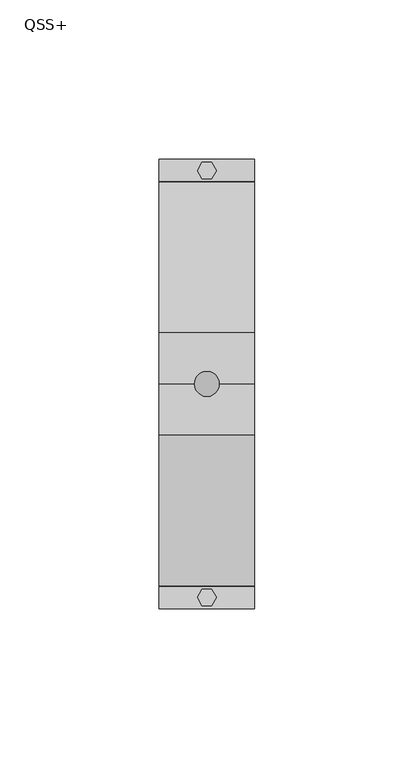
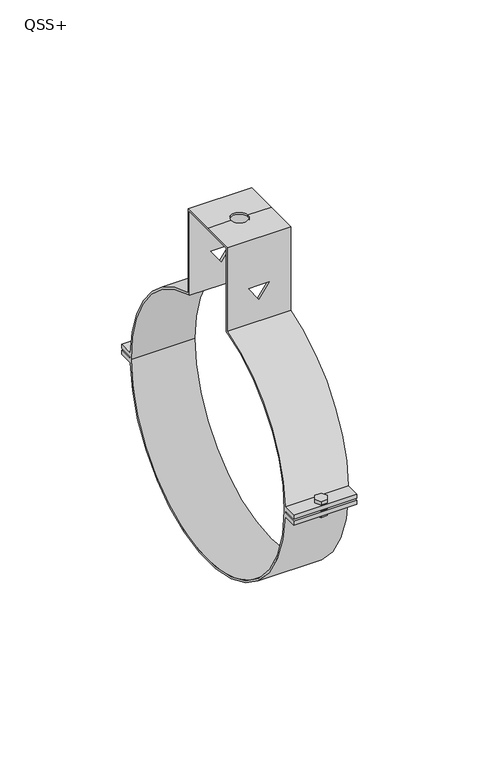
"""IFC4 building model written with IfcOpenShell, lengths in millimetres: proxy geometry, QSS+."""

from ifc_helpers import new_model, si_unit, frame, origin, place, context, project, spatial, polyline, circle_curve, outline, extrude, source, transform, mapped, element, save
from ifc_brep_helpers import plane_surface, cylinder_surface, revolved_surface, advanced_brep


def qss_e166d61f(model_context):
    return source(origin(), model_context, "Body", "SolidModel", [
        extrude(outline(polyline([(1.5, 69.5980762), (3.0, 67.0), (1.5, 64.4019238), (-1.5, 64.4019238), (-3.0, 67.0), (-1.5, 69.5980762), (1.5, 69.5980762)])), frame((0.0, 0.0, -4.0), z_axis=(0.0, 0.0, 1.0), x_axis=(1.0, 0.0, 0.0)), (0.0, 0.0, 1.0), 8.0),
        extrude(outline(polyline([(1.5, -69.5980762), (-1.5, -69.5980762), (-3.0, -67.0), (-1.5, -64.4019238), (1.5, -64.4019238), (3.0, -67.0), (1.5, -69.5980762)])), frame((0.0, 0.0, -4.0), z_axis=(0.0, 0.0, 1.0), x_axis=(1.0, 0.0, 0.0)), (0.0, 0.0, 1.0), 8.0),
        advanced_brep(
        [(-15.0, -16.0, 103.5), (-15.0, 0.0, 103.5), (-15.0, 16.0, 103.5), (-15.0, 16.0, 61.4512002), (-15.0, 63.4520705, 2.4667277), (-15.0, 70.5, 2.4667277), (-15.0, 70.5, 0.4667277), (-15.0, 63.4982847, 0.4667277), (-15.0, 63.5, 0.0), (-15.0, 63.4982847, -0.4667277), (-15.0, 70.5, -0.4667277), (-15.0, 70.5, -2.4667277), (-15.0, 63.4520705, -2.4667277), (-15.0, -63.4505894, -2.5045372), (-15.0, -70.5, -2.5045372), (-15.0, -70.5, -0.5045372), (-15.0, -63.4979956, -0.5045372), (-15.0, -63.5, 0.0), (-15.0, -63.4979956, 0.5045372), (-15.0, -70.5, 0.5045372), (-15.0, -70.5, 2.5045372), (-15.0, -63.4505894, 2.5045372), (-15.0, -16.0, 61.4512002), (-15.0, 14.9730976, 102.5081289), (-15.0, 0.0, 102.5081289), (-15.0, -14.9730976, 102.5081289), (-15.0, -14.9730976, 60.6799501), (-15.0, -16.0, 60.4172988), (-15.0, -62.5, 0.0), (-15.0, 62.5, 0.0), (-15.0, 16.0, 60.4172988), (-15.0, 14.9730976, 60.6799501), (15.0, 16.0, 103.5), (15.0, 0.0, 103.5), (15.0, -16.0, 103.5), (15.0, -16.0, 61.4512002), (15.0, -63.4505894, 2.5045372), (15.0, -70.5, 2.5045372), (15.0, -70.5, 0.5045372), (15.0, -63.4979956, 0.5045372), (15.0, -63.5, 0.0), (15.0, -63.4979956, -0.5045372), (15.0, -70.5, -0.5045372), (15.0, -70.5, -2.5045372), (15.0, -63.4505894, -2.5045372), (15.0, 63.4520705, -2.4667277), (15.0, 70.5, -2.4667277), (15.0, 70.5, -0.4667277), (15.0, 63.4982847, -0.4667277), (15.0, 63.5, 0.0), (15.0, 63.4982847, 0.4667277), (15.0, 70.5, 0.4667277), (15.0, 70.5, 2.4667277), (15.0, 63.4520705, 2.4667277), (15.0, 16.0, 61.4512002), (15.0, -14.9730976, 102.5081289), (15.0, 0.0, 102.5081289), (15.0, 14.9730976, 102.5081289), (15.0, 14.9730976, 60.6799501), (15.0, 16.0, 60.4172988), (15.0, 62.5, 0.0), (15.0, -62.5, 0.0), (15.0, -16.0, 60.4172988), (15.0, -14.9730976, 60.6799501), (-4.0, 0.0, 103.5), (4.0, 0.0, 103.5), (0.0, -16.0, 79.3826485), (4.9139468, -16.0, 79.3826485), (0.0, -16.0, 72.3648052), (-4.9139468, -16.0, 79.3826485), (4.9139468, -14.9730976, 79.3826485), (0.0, -14.9730976, 79.3826485), (-4.9139468, -14.9730976, 79.3826485), (0.0, -14.9730976, 72.3648052), (-4.0, 0.0, 102.5081289), (4.0, 0.0, 102.5081289), (0.0, 14.9730976, 79.3826485), (4.9139468, 14.9730976, 79.3826485), (0.0, 14.9730976, 72.3648052), (-4.9139468, 14.9730976, 79.3826485), (4.9139468, 16.0, 79.3826485), (0.0, 16.0, 79.3826485), (-4.9139468, 16.0, 79.3826485), (0.0, 16.0, 72.3648052)],
        [
            (0, 1),
            (1, 2),
            (2, 3),
            (3, 4, circle_curve(frame((-15.0, 0.0, 0.0), z_axis=(-1.0, 0.0, 0.0), x_axis=(0.0, 1.0, 0.0)), 63.5)),
            (4, 5),
            (5, 6),
            (6, 7),
            (7, 8, circle_curve(frame((-15.0, 0.0, 0.0), z_axis=(-1.0, 0.0, 0.0), x_axis=(0.0, 1.0, 0.0)), 63.5)),
            (8, 9, circle_curve(frame((-15.0, 0.0, 0.0), z_axis=(-1.0, 0.0, 0.0), x_axis=(0.0, 1.0, 0.0)), 63.5)),
            (9, 10),
            (10, 11),
            (11, 12),
            (12, 13, circle_curve(frame((-15.0, 0.0, 0.0), z_axis=(-1.0, 0.0, 0.0), x_axis=(0.0, 1.0, 0.0)), 63.5)),
            (13, 14),
            (14, 15),
            (15, 16),
            (16, 17, circle_curve(frame((-15.0, 0.0, 0.0), z_axis=(-1.0, 0.0, 0.0), x_axis=(0.0, 1.0, 0.0)), 63.5)),
            (17, 18, circle_curve(frame((-15.0, 0.0, 0.0), z_axis=(-1.0, 0.0, 0.0), x_axis=(0.0, 1.0, 0.0)), 63.5)),
            (18, 19),
            (19, 20),
            (20, 21),
            (21, 22, circle_curve(frame((-15.0, 0.0, 0.0), z_axis=(-1.0, 0.0, 0.0), x_axis=(0.0, 1.0, 0.0)), 63.5)),
            (22, 0),
            (23, 24),
            (24, 25),
            (25, 26),
            (26, 27, circle_curve(frame((-15.0, 0.0, 0.0), z_axis=(1.0, 0.0, 0.0), x_axis=(0.0, 1.0, 0.0)), 62.5)),
            (27, 28, circle_curve(frame((-15.0, 0.0, 0.0), z_axis=(1.0, 0.0, 0.0), x_axis=(0.0, 1.0, 0.0)), 62.5)),
            (28, 29, circle_curve(frame((-15.0, 0.0, 0.0), z_axis=(1.0, 0.0, 0.0), x_axis=(0.0, 1.0, 0.0)), 62.5)),
            (29, 30, circle_curve(frame((-15.0, 0.0, 0.0), z_axis=(1.0, 0.0, 0.0), x_axis=(0.0, 1.0, 0.0)), 62.5)),
            (30, 31, circle_curve(frame((-15.0, 0.0, 0.0), z_axis=(1.0, 0.0, 0.0), x_axis=(0.0, 1.0, 0.0)), 62.5)),
            (31, 23),
            (32, 33),
            (33, 34),
            (34, 35),
            (35, 36, circle_curve(frame((15.0, 0.0, 0.0), z_axis=(1.0, 0.0, 0.0), x_axis=(0.0, 1.0, 0.0)), 63.5)),
            (36, 37),
            (37, 38),
            (38, 39),
            (39, 40, circle_curve(frame((15.0, 0.0, 0.0), z_axis=(1.0, 0.0, 0.0), x_axis=(0.0, 1.0, 0.0)), 63.5)),
            (40, 41, circle_curve(frame((15.0, 0.0, 0.0), z_axis=(1.0, 0.0, 0.0), x_axis=(0.0, 1.0, 0.0)), 63.5)),
            (41, 42),
            (42, 43),
            (43, 44),
            (44, 45, circle_curve(frame((15.0, 0.0, 0.0), z_axis=(1.0, 0.0, 0.0), x_axis=(0.0, 1.0, 0.0)), 63.5)),
            (45, 46),
            (46, 47),
            (47, 48),
            (48, 49, circle_curve(frame((15.0, 0.0, 0.0), z_axis=(1.0, 0.0, 0.0), x_axis=(0.0, 1.0, 0.0)), 63.5)),
            (49, 50, circle_curve(frame((15.0, 0.0, 0.0), z_axis=(1.0, 0.0, 0.0), x_axis=(0.0, 1.0, 0.0)), 63.5)),
            (50, 51),
            (51, 52),
            (52, 53),
            (53, 54, circle_curve(frame((15.0, 0.0, 0.0), z_axis=(1.0, 0.0, 0.0), x_axis=(0.0, 1.0, 0.0)), 63.5)),
            (54, 32),
            (55, 56),
            (56, 57),
            (57, 58),
            (58, 59, circle_curve(frame((15.0, 0.0, 0.0), z_axis=(-1.0, 0.0, 0.0), x_axis=(0.0, 1.0, 0.0)), 62.5)),
            (59, 60, circle_curve(frame((15.0, 0.0, 0.0), z_axis=(-1.0, 0.0, 0.0), x_axis=(0.0, 1.0, 0.0)), 62.5)),
            (60, 61, circle_curve(frame((15.0, 0.0, 0.0), z_axis=(-1.0, 0.0, 0.0), x_axis=(0.0, 1.0, 0.0)), 62.5)),
            (61, 62, circle_curve(frame((15.0, 0.0, 0.0), z_axis=(-1.0, 0.0, 0.0), x_axis=(0.0, 1.0, 0.0)), 62.5)),
            (62, 63, circle_curve(frame((15.0, 0.0, 0.0), z_axis=(-1.0, 0.0, 0.0), x_axis=(0.0, 1.0, 0.0)), 62.5)),
            (63, 55),
            (1, 64),
            (64, 65, circle_curve(frame((0.0, 0.0, 103.5), z_axis=(0.0, 0.0, -1.0), x_axis=(1.0, 0.0, 0.0)), 4.0)),
            (65, 33),
            (32, 2),
            (0, 34),
            (65, 64, circle_curve(frame((0.0, 0.0, 103.5), z_axis=(0.0, 0.0, -1.0), x_axis=(1.0, 0.0, 0.0)), 4.0)),
            (22, 35),
            (66, 67),
            (67, 68),
            (68, 69),
            (69, 66),
            (25, 55),
            (63, 26),
            (70, 71),
            (71, 72),
            (72, 73),
            (73, 70),
            (24, 74),
            (74, 75, circle_curve(frame((0.0, 0.0, 102.5081289), z_axis=(0.0, 0.0, 1.0), x_axis=(1.0, 0.0, 0.0)), 4.0)),
            (75, 56),
            (23, 57),
            (75, 74, circle_curve(frame((0.0, 0.0, 102.5081289), z_axis=(0.0, 0.0, 1.0), x_axis=(1.0, 0.0, 0.0)), 4.0)),
            (31, 58),
            (76, 77),
            (77, 78),
            (78, 79),
            (79, 76),
            (54, 3),
            (80, 81),
            (81, 82),
            (82, 83),
            (83, 80),
            (61, 28),
            (27, 62),
            (29, 60),
            (59, 30),
            (40, 17),
            (16, 41),
            (8, 49),
            (48, 9),
            (12, 45),
            (44, 13),
            (21, 36),
            (53, 4),
            (39, 18),
            (7, 50),
            (6, 51),
            (5, 52),
            (11, 46),
            (10, 47),
            (38, 19),
            (37, 20),
            (43, 14),
            (42, 15),
            (70, 67),
            (66, 71),
            (80, 77),
            (76, 81),
            (69, 72),
            (79, 82),
            (68, 73),
            (78, 83),
            (65, 75),
            (74, 64),
        ],
        [
            plane_surface(frame((-15.0, 16.0, 103.5), z_axis=(-1.0, 0.0, 0.0), x_axis=(0.0, 1.0, 0.0))),
            plane_surface(frame((15.0, 16.0, 103.5), z_axis=(1.0, 0.0, 0.0), x_axis=(0.0, -1.0, 0.0))),
            plane_surface(frame((15.0, 16.0, 103.5), z_axis=(0.0, 0.0, 1.0), x_axis=(-1.0, 0.0, 0.0))),
            plane_surface(frame((15.0, 0.0, 103.5), z_axis=(0.0, 0.0, 1.0), x_axis=(-1.0, 0.0, 0.0))),
            plane_surface(frame((15.0, -16.0, 103.5), z_axis=(0.0, -1.0, 0.0), x_axis=(-1.0, 0.0, 0.0))),
            plane_surface(frame((15.0, -14.9730976, 0.0), z_axis=(0.0, 1.0, 0.0), x_axis=(-1.0, 0.0, 0.0))),
            plane_surface(frame((15.0, -14.9730976, 102.5081289), z_axis=(0.0, 0.0, -1.0), x_axis=(-1.0, 0.0, 0.0))),
            plane_surface(frame((15.0, 0.0, 102.5081289), z_axis=(0.0, 0.0, -1.0), x_axis=(-1.0, 0.0, 0.0))),
            plane_surface(frame((15.0, 14.9730976, 102.5081289), z_axis=(0.0, -1.0, 0.0), x_axis=(-1.0, 0.0, 0.0))),
            plane_surface(frame((15.0, 16.0, 0.0), z_axis=(0.0, 1.0, 0.0), x_axis=(-1.0, 0.0, 0.0))),
            revolved_surface(polyline([(-15.0, 62.5, 0.0), (15.0, 62.5, 0.0)]), (-15.0, 0.0, 0.0), (-1.0, 0.0, 0.0)),
            cylinder_surface(frame((0.0, 0.0, 0.0), z_axis=(1.0, 0.0, 0.0), x_axis=(0.0, 1.0, 0.0)), 63.5),
            revolved_surface(polyline([(15.0, 62.5, 0.0), (-15.0, 62.5, 0.0)]), (-15.0, 0.0, 0.0), (1.0, 0.0, 0.0)),
            plane_surface(frame((15.0, 62.7591075, 0.4667277), z_axis=(0.0, 0.0, -1.0), x_axis=(-1.0, 0.0, 0.0))),
            plane_surface(frame((15.0, 70.5, 0.4667277), z_axis=(0.0, 1.0, 0.0), x_axis=(-1.0, 0.0, 0.0))),
            plane_surface(frame((15.0, 70.5, 2.4667277), z_axis=(0.0, 0.0, 1.0), x_axis=(-1.0, 0.0, 0.0))),
            plane_surface(frame((15.0, 62.7591075, -2.4667277), z_axis=(0.0, 0.0, -1.0), x_axis=(-1.0, 0.0, 0.0))),
            plane_surface(frame((15.0, 70.5, -2.4667277), z_axis=(0.0, 1.0, 0.0), x_axis=(-1.0, 0.0, 0.0))),
            plane_surface(frame((15.0, 70.5, -0.4667277), z_axis=(0.0, 0.0, 1.0), x_axis=(-1.0, 0.0, 0.0))),
            plane_surface(frame((15.0, -70.5, 0.5045372), z_axis=(0.0, 0.0, -1.0), x_axis=(-1.0, 0.0, 0.0))),
            plane_surface(frame((15.0, -70.5, 2.5045372), z_axis=(0.0, -1.0, 0.0), x_axis=(-1.0, 0.0, 0.0))),
            plane_surface(frame((15.0, -62.7591075, 2.5045372), z_axis=(0.0, 0.0, 1.0), x_axis=(-1.0, 0.0, 0.0))),
            plane_surface(frame((15.0, -70.5, -2.5045372), z_axis=(0.0, 0.0, -1.0), x_axis=(-1.0, 0.0, 0.0))),
            plane_surface(frame((15.0, -70.5, -0.5045372), z_axis=(0.0, -1.0, 0.0), x_axis=(-1.0, 0.0, 0.0))),
            plane_surface(frame((15.0, -62.7591075, -0.5045372), z_axis=(0.0, 0.0, 1.0), x_axis=(-1.0, 0.0, 0.0))),
            plane_surface(frame((4.9139468, -23.1577597, 79.3826485), z_axis=(0.0, 0.0, -1.0), x_axis=(0.0, 1.0, 0.0))),
            plane_surface(frame((0.0, -23.1577597, 79.3826485), z_axis=(0.0, 0.0, -1.0), x_axis=(0.0, 1.0, 0.0))),
            plane_surface(frame((-4.9139468, -23.1577597, 79.3826485), z_axis=(0.8191520442889921, 0.0, 0.5735764363510457), x_axis=(0.0, 1.0, 0.0))),
            plane_surface(frame((0.0, -23.1577597, 72.3648052), z_axis=(-0.8191520442889922, 0.0, 0.5735764363510454), x_axis=(0.0, 1.0, 0.0))),
            revolved_surface(polyline([(4.0, 0.0, 103.5), (4.0, 0.0, 102.5081289)]), (0.0, 0.0, 102.5081289), (0.0, 0.0, 1.0)),
        ],
        [
            (0, [[1, 2, 3, 4, 5, 6, 7, 8, 9, 10, 11, 12, 13, 14, 15, 16, 17, 18, 19, 20, 21, 22, 23], [24, 25, 26, 27, 28, 29, 30, 31, 32]]),
            (1, [[33, 34, 35, 36, 37, 38, 39, 40, 41, 42, 43, 44, 45, 46, 47, 48, 49, 50, 51, 52, 53, 54, 55], [56, 57, 58, 59, 60, 61, 62, 63, 64]]),
            (2, [[-2, 65, 66, 67, -33, 68]]),
            (3, [[-1, 69, -34, -67, 70, -65]]),
            (4, [[-69, -23, 71, -35], [72, 73, 74, 75]]),
            (5, [[76, -64, 77, -26], [78, 79, 80, 81]]),
            (6, [[-25, 82, 83, 84, -56, -76]]),
            (7, [[-24, 85, -57, -84, 86, -82]]),
            (8, [[-85, -32, 87, -58], [88, 89, 90, 91]]),
            (9, [[-68, -55, 92, -3], [93, 94, 95, 96]]),
            (10, [[97, -28, 98, -62]]),
            (10, [[99, -60, 100, -30]]),
            (10, [[-29, -97, -61, -99]]),
            (11, [[101, -17, 102, -41]]),
            (11, [[103, -49, 104, -9]]),
            (11, [[105, -45, 106, -13]]),
            (11, [[-71, -22, 107, -36]]),
            (11, [[-92, -54, 108, -4]]),
            (11, [[-101, -40, 109, -18]]),
            (11, [[-103, -8, 110, -50]]),
            (12, [[-27, -77, -63, -98]]),
            (12, [[-31, -100, -59, -87]]),
            (13, [[111, -51, -110, -7]]),
            (14, [[-52, -111, -6, 112]]),
            (15, [[-112, -5, -108, -53]]),
            (16, [[113, -46, -105, -12]]),
            (17, [[-47, -113, -11, 114]]),
            (18, [[-114, -10, -104, -48]]),
            (19, [[115, -19, -109, -39]]),
            (20, [[-38, 116, -20, -115]]),
            (21, [[-116, -37, -107, -21]]),
            (22, [[117, -14, -106, -44]]),
            (23, [[-43, 118, -15, -117]]),
            (24, [[-118, -42, -102, -16]]),
            (25, [[119, -72, 120, -78]]),
            (25, [[121, -88, 122, -93]]),
            (26, [[-120, -75, 123, -79]]),
            (26, [[-122, -91, 124, -94]]),
            (27, [[-123, -74, 125, -80]]),
            (27, [[-124, -90, 126, -95]]),
            (28, [[-119, -81, -125, -73]]),
            (28, [[-121, -96, -126, -89]]),
            (29, [[127, -83, 128, -70]]),
            (29, [[-127, -66, -128, -86]]),
        ],
    ),
    ])


if __name__ == "__main__":
    model = new_model("IFC4")
    model_context = context("Model", 3, world=origin())
    ifc_project = project(units=[si_unit("LENGTHUNIT", "METRE", prefix="MILLI")], contexts=[model_context])
    site = spatial("IfcSite", under=ifc_project)
    building = spatial("IfcBuilding", under=site)
    placement = place(None, origin())
    qss_shape = qss_e166d61f(model_context)
    element("IfcBuildingElementProxy", 1, Name="QSS+", ObjectType="QSS+", at=placement, inside=building, context=model_context, shape_type="MappedRepresentation", body=[
        mapped(qss_shape, transform((0.0, 0.0, 0.0), x_axis=(1.0, 0.0, 0.0), y_axis=(0.0, 1.0, 0.0), z_axis=(0.0, 0.0, 1.0))),
    ])
    save(model, "model.ifc")
